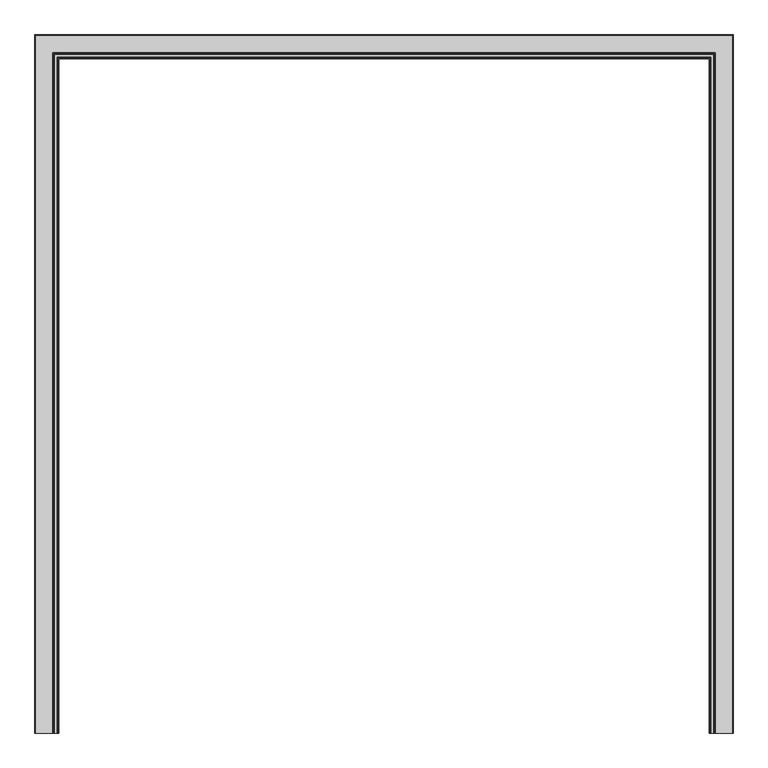
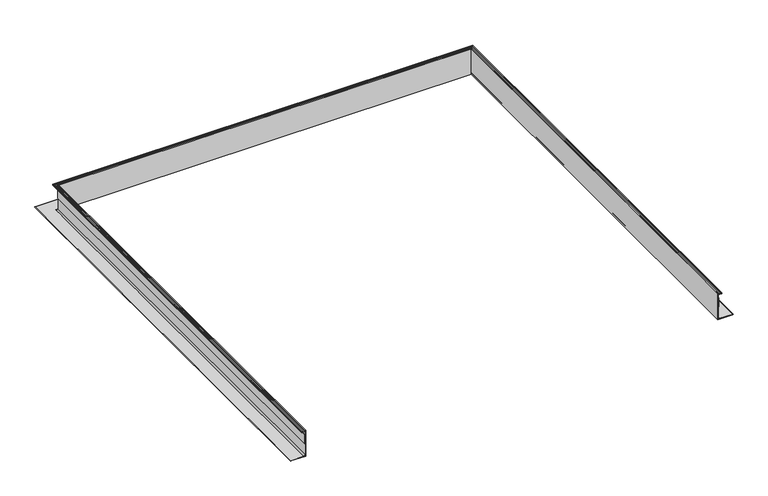
"""IFC4 building model written with IfcOpenShell, lengths in millimetres: fastener geometry."""

from ifc_helpers import new_model, si_unit, frame, origin, place, context, project, spatial, polyline, circle_curve, ellipse_curve, outline, extrude, source, transform, mapped, element, save
from ifc_brep_helpers import plane_surface, cylinder_surface, revolved_surface, advanced_brep


def fastener_13c6ff80(model_context):
    return source(origin(), model_context, "Body", "SolidModel", [
        advanced_brep(
        [(-1135.3165, -1219.2, -15.1804688), (-1141.2343456, -1219.2, -15.1804688), (-1141.460117, -1219.2, -17.1999455), (-1140.3710112, -1219.2, -18.2679836), (-1140.8594568, -1219.2, -19.21101), (-1152.5091166, -1219.2, -19.21101), (-1152.9649499, -1219.2, -18.2679836), (-1151.9131963, -1219.2, -17.1999455), (-1152.1178999, -1219.2, -15.1804688), (-1156.2117258, -1219.2, -15.1804688), (-1156.2117258, -1219.2, -21.87801), (-1137.9835, -1219.2, -21.87801), (-1137.9835, -1219.2, -154.6836108), (-1145.5344517, -1219.2, -162.2345625), (-1217.8665, -1219.2, -162.2345625), (-1217.8665, -1219.2, -164.9015625), (-1135.3165, -1219.2, -164.9015625), (1135.3165, -1219.2, -15.1804688), (1135.3165, -1219.2, -164.9015625), (1217.8665, -1219.2, -164.9015625), (1217.8665, -1219.2, -162.2345625), (1145.5344517, -1219.2, -162.2345625), (1137.9835, -1219.2, -154.6836108), (1137.9835, -1219.2, -21.87801), (1156.2117258, -1219.2, -21.87801), (1156.2117258, -1219.2, -15.1804688), (1152.1178999, -1219.2, -15.1804688), (1151.9131963, -1219.2, -17.1999455), (1152.9649499, -1219.2, -18.2679836), (1152.5091166, -1219.2, -19.21101), (1140.8594568, -1219.2, -19.21101), (1140.3710112, -1219.2, -18.2679836), (1141.460117, -1219.2, -17.1999455), (1141.2343456, -1219.2, -15.1804688), (-1141.460117, 1141.460117, -17.1999455), (-1141.2343456, 1141.2343456, -15.1804688), (1141.2343456, 1141.2343456, -15.1804688), (1141.460117, 1141.460117, -17.1999455), (-1140.3710112, 1140.3710112, -18.2679836), (1140.3710112, 1140.3710112, -18.2679836), (-1140.8594568, 1140.8594568, -19.21101), (1140.8594568, 1140.8594568, -19.21101), (-1152.9649499, 1152.9649499, -18.2679836), (-1152.5091166, 1152.5091166, -19.21101), (1152.5091166, 1152.5091166, -19.21101), (1152.9649499, 1152.9649499, -18.2679836), (-1151.9131963, 1151.9131963, -17.1999455), (1151.9131963, 1151.9131963, -17.1999455), (-1152.1178999, 1152.1178999, -15.1804688), (1152.1178999, 1152.1178999, -15.1804688), (-1156.2117258, 1156.2117258, -21.87801), (-1156.2117258, 1156.2117258, -15.1804688), (1156.2117258, 1156.2117258, -15.1804688), (1156.2117258, 1156.2117258, -21.87801), (-1137.9835, 1137.9835, -154.6836108), (-1137.9835, 1137.9835, -21.87801), (1137.9835, 1137.9835, -21.87801), (1137.9835, 1137.9835, -154.6836108), (-1145.5344517, 1145.5344517, -162.2345625), (1145.5344517, 1145.5344517, -162.2345625), (-1217.8665, 1217.8665, -164.9015625), (-1217.8665, 1217.8665, -162.2345625), (1217.8665, 1217.8665, -162.2345625), (1217.8665, 1217.8665, -164.9015625), (-1135.3165, 1135.3165, -15.1804688), (-1135.3165, 1135.3165, -164.9015625), (1135.3165, 1135.3165, -164.9015625), (1135.3165, 1135.3165, -15.1804688)],
        [
            (0, 1),
            (1, 2, circle_curve(frame((-1140.5022273, -1219.2, -16.284676), z_axis=(0.0, -1.0, 0.0), x_axis=(-1.0, 0.0, 0.0)), 1.3248664)),
            (2, 3),
            (3, 4, circle_curve(frame((-1140.8594568, -1219.2, -18.6130003), z_axis=(0.0, 1.0, 0.0), x_axis=(-1.0, 0.0, 0.0)), 0.5980097)),
            (4, 5),
            (5, 6, circle_curve(frame((-1152.5091166, -1219.2, -18.6293281), z_axis=(0.0, 1.0, 0.0), x_axis=(-1.0, 0.0, 0.0)), 0.5816819)),
            (6, 7),
            (7, 8, circle_curve(frame((-1152.8274757, -1219.2, -16.2725079), z_axis=(0.0, -1.0, 0.0), x_axis=(-1.0, 0.0, 0.0)), 1.3023238)),
            (8, 9),
            (9, 10),
            (10, 11),
            (11, 12),
            (12, 13, circle_curve(frame((-1145.5344517, -1219.2, -154.6836108), z_axis=(0.0, 1.0, 0.0), x_axis=(-1.0, 0.0, 0.0)), 7.5509517)),
            (13, 14),
            (14, 15, circle_curve(frame((-1217.8665, -1219.2, -163.5680625), z_axis=(0.0, -1.0, 0.0), x_axis=(-1.0, 0.0, 0.0)), 1.3335)),
            (15, 16),
            (16, 0),
            (17, 18),
            (18, 19),
            (19, 20, circle_curve(frame((1217.8665, -1219.2, -163.5680625), z_axis=(0.0, -1.0, 0.0), x_axis=(1.0, 0.0, 0.0)), 1.3335)),
            (20, 21),
            (21, 22, circle_curve(frame((1145.5344517, -1219.2, -154.6836108), z_axis=(0.0, 1.0, 0.0), x_axis=(1.0, 0.0, 0.0)), 7.5509517)),
            (22, 23),
            (23, 24),
            (24, 25),
            (25, 26),
            (26, 27, circle_curve(frame((1152.8274757, -1219.2, -16.2725079), z_axis=(0.0, -1.0, 0.0), x_axis=(1.0, 0.0, 0.0)), 1.3023238)),
            (27, 28),
            (28, 29, circle_curve(frame((1152.5091166, -1219.2, -18.6293281), z_axis=(0.0, 1.0, 0.0), x_axis=(1.0, 0.0, 0.0)), 0.5816819)),
            (29, 30),
            (30, 31, circle_curve(frame((1140.8594568, -1219.2, -18.6130003), z_axis=(0.0, 1.0, 0.0), x_axis=(1.0, 0.0, 0.0)), 0.5980097)),
            (31, 32),
            (32, 33, circle_curve(frame((1140.5022273, -1219.2, -16.284676), z_axis=(0.0, -1.0, 0.0), x_axis=(1.0, 0.0, 0.0)), 1.3248664)),
            (33, 17),
            (34, 35, ellipse_curve(frame((-1140.5022273, 1140.5022273, -16.284676), z_axis=(0.7071067811865475, 0.7071067811865475, 0.0), x_axis=(-0.7071067811865476, 0.7071067811865474, 0.0)), 1.873644, 1.3248664)),
            (35, 36),
            (36, 37, ellipse_curve(frame((1140.5022273, 1140.5022273, -16.284676), z_axis=(-0.7071067811865475, 0.7071067811865475, 0.0), x_axis=(-0.7071067811865476, -0.7071067811865474, 0.0)), 1.873644, 1.3248664)),
            (37, 34),
            (38, 34),
            (37, 39),
            (39, 38),
            (40, 38, ellipse_curve(frame((-1140.8594568, 1140.8594568, -18.6130003), z_axis=(-0.7071067811865475, -0.7071067811865475, 0.0), x_axis=(0.7071067811865476, -0.7071067811865474, 0.0)), 0.8457134, 0.5980097)),
            (39, 41, ellipse_curve(frame((1140.8594568, 1140.8594568, -18.6130003), z_axis=(0.7071067811865475, -0.7071067811865475, 0.0), x_axis=(0.7071067811865476, 0.7071067811865474, 0.0)), 0.8457134, 0.5980097)),
            (41, 40),
            (42, 43, ellipse_curve(frame((-1152.5091166, 1152.5091166, -18.6293281), z_axis=(-0.7071067811865475, -0.7071067811865475, 0.0), x_axis=(0.7071067811865476, -0.7071067811865474, 0.0)), 0.8226224, 0.5816819)),
            (43, 44),
            (44, 45, ellipse_curve(frame((1152.5091166, 1152.5091166, -18.6293281), z_axis=(0.7071067811865475, -0.7071067811865475, 0.0), x_axis=(0.7071067811865476, 0.7071067811865474, 0.0)), 0.8226224, 0.5816819)),
            (45, 42),
            (46, 42),
            (45, 47),
            (47, 46),
            (48, 46, ellipse_curve(frame((-1152.8274757, 1152.8274757, -16.2725079), z_axis=(0.7071067811865475, 0.7071067811865475, 0.0), x_axis=(-0.7071067811865476, 0.7071067811865474, 0.0)), 1.841764, 1.3023238)),
            (47, 49, ellipse_curve(frame((1152.8274757, 1152.8274757, -16.2725079), z_axis=(-0.7071067811865475, 0.7071067811865475, 0.0), x_axis=(-0.7071067811865476, -0.7071067811865474, 0.0)), 1.841764, 1.3023238)),
            (49, 48),
            (50, 51),
            (51, 52),
            (52, 53),
            (53, 50),
            (54, 55),
            (55, 56),
            (56, 57),
            (57, 54),
            (58, 54, ellipse_curve(frame((-1145.5344517, 1145.5344517, -154.6836108), z_axis=(-0.7071067811865475, -0.7071067811865475, 0.0), x_axis=(0.7071067811865476, -0.7071067811865474, 0.0)), 10.6786583, 7.5509517)),
            (57, 59, ellipse_curve(frame((1145.5344517, 1145.5344517, -154.6836108), z_axis=(0.7071067811865475, -0.7071067811865475, 0.0), x_axis=(0.7071067811865476, 0.7071067811865474, 0.0)), 10.6786583, 7.5509517)),
            (59, 58),
            (60, 61, ellipse_curve(frame((-1217.8665, 1217.8665, -163.5680625), z_axis=(0.7071067811865475, 0.7071067811865475, 0.0), x_axis=(-0.7071067811865476, 0.7071067811865474, 0.0)), 1.8858538, 1.3335)),
            (61, 62),
            (62, 63, ellipse_curve(frame((1217.8665, 1217.8665, -163.5680625), z_axis=(-0.7071067811865475, 0.7071067811865475, 0.0), x_axis=(-0.7071067811865476, -0.7071067811865474, 0.0)), 1.8858538, 1.3335)),
            (63, 60),
            (64, 65),
            (65, 66),
            (66, 67),
            (67, 64),
            (0, 64),
            (67, 17),
            (33, 36),
            (35, 1),
            (34, 2),
            (38, 3),
            (40, 4),
            (41, 30),
            (29, 44),
            (43, 5),
            (42, 6),
            (46, 7),
            (48, 8),
            (49, 26),
            (25, 52),
            (51, 9),
            (50, 10),
            (53, 24),
            (23, 56),
            (55, 11),
            (54, 12),
            (58, 13),
            (59, 21),
            (20, 62),
            (61, 14),
            (60, 15),
            (63, 19),
            (18, 66),
            (65, 16),
            (32, 37),
            (31, 39),
            (28, 45),
            (27, 47),
            (22, 57),
        ],
        [
            plane_surface(frame((-1219.2, -1219.2, 0.0), z_axis=(0.0, -1.0, 0.0), x_axis=(0.0, 0.0, 1.0))),
            plane_surface(frame((1219.2, -1219.2, 0.0), z_axis=(0.0, -1.0, 0.0), x_axis=(0.0, 0.0, 1.0))),
            cylinder_surface(frame((-1219.2, 1140.5022273, -16.284676), z_axis=(-1.0, 0.0, 0.0), x_axis=(0.0, 1.0, 0.0)), 1.3248664),
            plane_surface(frame((-1141.460117, 1141.460117, -17.1999455), z_axis=(0.0, 0.7001674507589581, -0.7139786697778175), x_axis=(1.0, 0.0, 0.0))),
            revolved_surface(polyline([(1141.4574664800805, 1141.4574665, -18.6130003), (-1141.4574664800805, 1141.4574665, -18.6130003)]), (-1219.2, 1140.8594568, -18.6130003), (1.0, 0.0, 0.0)),
            revolved_surface(polyline([(1153.090798477396, 1153.0907985, -18.6293281), (-1153.090798477396, 1153.0907985, -18.6293281)]), (-1219.2, 1152.5091166, -18.6293281), (1.0, 0.0, 0.0)),
            plane_surface(frame((-1152.9649499, 1152.9649499, -18.2679836), z_axis=(0.0, -0.7125178459649038, -0.7016539882175072), x_axis=(1.0, 0.0, 0.0))),
            cylinder_surface(frame((-1219.2, 1152.8274757, -16.2725079), z_axis=(-1.0, 0.0, 0.0), x_axis=(0.0, 1.0, 0.0)), 1.3023238),
            plane_surface(frame((-1156.2117258, 1156.2117258, -15.1804688), z_axis=(0.0, 1.0, 0.0), x_axis=(1.0, 0.0, 0.0))),
            plane_surface(frame((-1137.9835, 1137.9835, -21.87801), z_axis=(0.0, 1.0, 0.0), x_axis=(1.0, 0.0, 0.0))),
            revolved_surface(polyline([(1153.0854033979042, 1153.0854034000001, -154.6836108), (-1153.0854033979042, 1153.0854034000001, -154.6836108)]), (-1219.2, 1145.5344517, -154.6836108), (1.0, 0.0, 0.0)),
            cylinder_surface(frame((-1219.2, 1217.8665, -163.5680625), z_axis=(-1.0, 0.0, 0.0), x_axis=(0.0, 1.0, 0.0)), 1.3335),
            plane_surface(frame((-1135.3165, 1135.3165, -164.9015625), z_axis=(0.0, -1.0, 0.0), x_axis=(1.0, 0.0, 0.0))),
            plane_surface(frame((-1135.3165, -1219.2, -15.1804688), z_axis=(0.0, 0.0, 1.0), x_axis=(0.0, 1.0, 0.0))),
            cylinder_surface(frame((-1140.5022273, -1219.2, -16.284676), z_axis=(0.0, -1.0, 0.0), x_axis=(-1.0, 0.0, 0.0)), 1.3248664),
            plane_surface(frame((-1141.460117, -1219.2, -17.1999455), z_axis=(-0.7001674507589581, 0.0, -0.7139786697778175), x_axis=(0.0, 1.0, 0.0))),
            revolved_surface(polyline([(-1141.4574665, 1141.4574664800805, -18.6130003), (-1141.4574665, -1219.2, -18.6130003)]), (-1140.8594568, -1219.2, -18.6130003), (0.0, 1.0, 0.0)),
            plane_surface(frame((-1140.8594568, -1219.2, -19.21101), z_axis=(0.0, 0.0, 1.0), x_axis=(0.0, 1.0, 0.0))),
            revolved_surface(polyline([(-1153.0907985, 1153.090798477396, -18.6293281), (-1153.0907985, -1219.2, -18.6293281)]), (-1152.5091166, -1219.2, -18.6293281), (0.0, 1.0, 0.0)),
            plane_surface(frame((-1152.9649499, -1219.2, -18.2679836), z_axis=(0.7125178459649038, 0.0, -0.7016539882175072), x_axis=(0.0, 1.0, 0.0))),
            cylinder_surface(frame((-1152.8274757, -1219.2, -16.2725079), z_axis=(0.0, -1.0, 0.0), x_axis=(-1.0, 0.0, 0.0)), 1.3023238),
            plane_surface(frame((-1152.1178999, -1219.2, -15.1804688), z_axis=(0.0, 0.0, 1.0), x_axis=(0.0, 1.0, 0.0))),
            plane_surface(frame((-1156.2117258, -1219.2, -15.1804688), z_axis=(-1.0, 0.0, 0.0), x_axis=(0.0, 1.0, 0.0))),
            plane_surface(frame((-1156.2117258, -1219.2, -21.87801), z_axis=(0.0, 0.0, -1.0), x_axis=(0.0, 1.0, 0.0))),
            plane_surface(frame((-1137.9835, -1219.2, -21.87801), z_axis=(-1.0, 0.0, 0.0), x_axis=(0.0, 1.0, 0.0))),
            revolved_surface(polyline([(-1153.0854034000001, 1153.0854033979042, -154.6836108), (-1153.0854034000001, -1219.2, -154.6836108)]), (-1145.5344517, -1219.2, -154.6836108), (0.0, 1.0, 0.0)),
            plane_surface(frame((-1145.5344517, -1219.2, -162.2345625), z_axis=(0.0, 0.0, 1.0), x_axis=(0.0, 1.0, 0.0))),
            cylinder_surface(frame((-1217.8665, -1219.2, -163.5680625), z_axis=(0.0, -1.0, 0.0), x_axis=(-1.0, 0.0, 0.0)), 1.3335),
            plane_surface(frame((-1217.8665, -1219.2, -164.9015625), z_axis=(0.0, 0.0, -1.0), x_axis=(0.0, 1.0, 0.0))),
            plane_surface(frame((-1135.3165, -1219.2, -164.9015625), z_axis=(1.0, 0.0, 0.0), x_axis=(0.0, 1.0, 0.0))),
            cylinder_surface(frame((1140.5022273, 1219.2, -16.284676), z_axis=(0.0, 1.0, 0.0), x_axis=(1.0, 0.0, 0.0)), 1.3248664),
            plane_surface(frame((1141.460117, 1141.460117, -17.1999455), z_axis=(0.7001674507589581, 0.0, -0.7139786697778175), x_axis=(0.0, -1.0, 0.0))),
            revolved_surface(polyline([(1141.4574665, -1219.2, -18.6130003), (1141.4574665, 1141.4574664800805, -18.6130003)]), (1140.8594568, 1219.2, -18.6130003), (0.0, -1.0, 0.0)),
            revolved_surface(polyline([(1153.0907985, -1219.2, -18.6293281), (1153.0907985, 1153.090798477396, -18.6293281)]), (1152.5091166, 1219.2, -18.6293281), (0.0, -1.0, 0.0)),
            plane_surface(frame((1152.9649499, 1152.9649499, -18.2679836), z_axis=(-0.7125178459649038, 0.0, -0.7016539882175072), x_axis=(0.0, -1.0, 0.0))),
            cylinder_surface(frame((1152.8274757, 1219.2, -16.2725079), z_axis=(0.0, 1.0, 0.0), x_axis=(1.0, 0.0, 0.0)), 1.3023238),
            plane_surface(frame((1156.2117258, 1156.2117258, -15.1804688), z_axis=(1.0, 0.0, 0.0), x_axis=(0.0, -1.0, 0.0))),
            plane_surface(frame((1137.9835, 1137.9835, -21.87801), z_axis=(1.0, 0.0, 0.0), x_axis=(0.0, -1.0, 0.0))),
            revolved_surface(polyline([(1153.0854034000001, -1219.2, -154.6836108), (1153.0854034000001, 1153.0854033979042, -154.6836108)]), (1145.5344517, 1219.2, -154.6836108), (0.0, -1.0, 0.0)),
            cylinder_surface(frame((1217.8665, 1219.2, -163.5680625), z_axis=(0.0, 1.0, 0.0), x_axis=(1.0, 0.0, 0.0)), 1.3335),
            plane_surface(frame((1135.3165, 1135.3165, -164.9015625), z_axis=(-1.0, 0.0, 0.0), x_axis=(0.0, -1.0, 0.0))),
        ],
        [
            (0, [[1, 2, 3, 4, 5, 6, 7, 8, 9, 10, 11, 12, 13, 14, 15, 16, 17]]),
            (1, [[18, 19, 20, 21, 22, 23, 24, 25, 26, 27, 28, 29, 30, 31, 32, 33, 34]]),
            (2, [[35, 36, 37, 38]]),
            (3, [[39, -38, 40, 41]]),
            (4, [[42, -41, 43, 44]]),
            (5, [[45, 46, 47, 48]]),
            (6, [[49, -48, 50, 51]]),
            (7, [[52, -51, 53, 54]]),
            (8, [[55, 56, 57, 58]]),
            (9, [[59, 60, 61, 62]]),
            (10, [[63, -62, 64, 65]]),
            (11, [[66, 67, 68, 69]]),
            (12, [[70, 71, 72, 73]]),
            (13, [[-1, 74, -73, 75, -34, 76, -36, 77]]),
            (14, [[-2, -77, -35, 78]]),
            (15, [[-3, -78, -39, 79]]),
            (16, [[-4, -79, -42, 80]]),
            (17, [[-5, -80, -44, 81, -30, 82, -46, 83]]),
            (18, [[-6, -83, -45, 84]]),
            (19, [[-7, -84, -49, 85]]),
            (20, [[-8, -85, -52, 86]]),
            (21, [[-9, -86, -54, 87, -26, 88, -56, 89]]),
            (22, [[-10, -89, -55, 90]]),
            (23, [[-11, -90, -58, 91, -24, 92, -60, 93]]),
            (24, [[-12, -93, -59, 94]]),
            (25, [[-13, -94, -63, 95]]),
            (26, [[-14, -95, -65, 96, -21, 97, -67, 98]]),
            (27, [[-15, -98, -66, 99]]),
            (28, [[-16, -99, -69, 100, -19, 101, -71, 102]]),
            (29, [[-17, -102, -70, -74]]),
            (30, [[-37, -76, -33, 103]]),
            (31, [[-40, -103, -32, 104]]),
            (32, [[-43, -104, -31, -81]]),
            (33, [[-47, -82, -29, 105]]),
            (34, [[-50, -105, -28, 106]]),
            (35, [[-53, -106, -27, -87]]),
            (36, [[-57, -88, -25, -91]]),
            (37, [[-61, -92, -23, 107]]),
            (38, [[-64, -107, -22, -96]]),
            (39, [[-68, -97, -20, -100]]),
            (40, [[-72, -101, -18, -75]]),
        ],
    ),
        extrude(outline(polyline([(-1137.9835, -1219.2), (-1139.9113319, -1219.2), (-1139.9113319, 1139.9113319), (1139.9113319, 1139.9113319), (1139.9113319, -1219.2), (1137.9835, -1219.2), (1137.9835, 1137.9835), (-1137.9835, 1137.9835), (-1137.9835, -1219.2)])), frame((0.0, 0.0, -92.5710938), z_axis=(0.0, 0.0, 1.0), x_axis=(1.0, 0.0, 0.0)), (0.0, 0.0, 1.0), 53.18125),
    ])


if __name__ == "__main__":
    model = new_model("IFC4")
    model_context = context("Model", 3, world=origin())
    ifc_project = project(units=[si_unit("LENGTHUNIT", "METRE", prefix="MILLI")], contexts=[model_context])
    site = spatial("IfcSite", under=ifc_project)
    building = spatial("IfcBuilding", under=site)
    placement = place(None, origin())
    fastener_shape = fastener_13c6ff80(model_context)
    element("IfcFastener", 1, at=placement, inside=building, context=model_context, shape_type="MappedRepresentation", body=[
        mapped(fastener_shape, transform((0.0, 0.0, 0.0), x_axis=(1.0, 0.0, 0.0), y_axis=(0.0, 1.0, 0.0), z_axis=(0.0, 0.0, 1.0))),
    ])
    save(model, "model.ifc")
